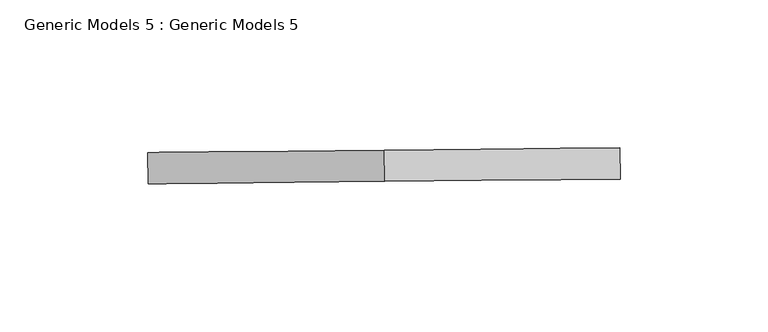
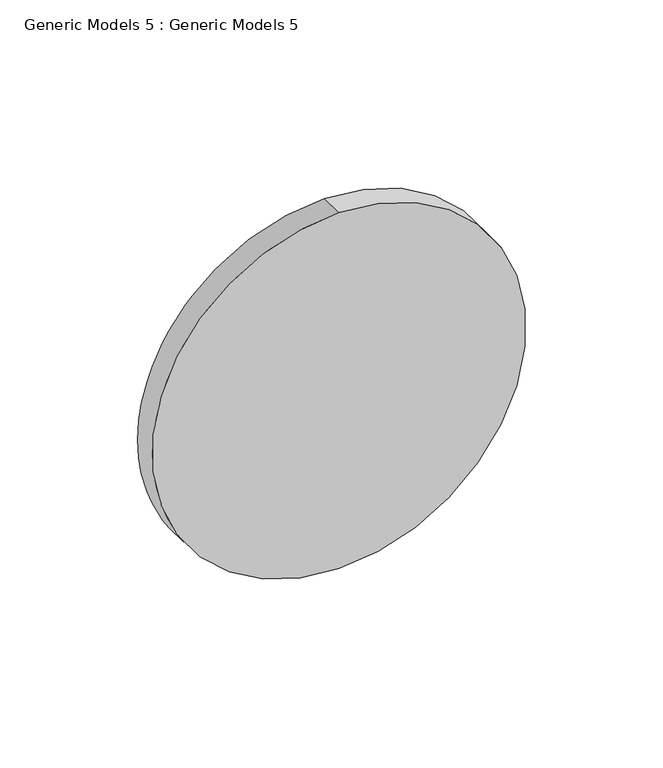
"""IFC4 building model written with IfcOpenShell, lengths in millimetres: proxy geometry, Generic Models 5 : Generic Models 5."""

from ifc_helpers import new_model, si_unit, point, frame, frame_2d, origin, place, context, project, spatial, circle_curve, trimmed, segment, composite_curve, outline, extrude, source, transform, mapped, element, save


def generic_models_5_generic_models_5_87e4cf71(model_context):
    return source(origin(), model_context, "Body", "SweptSolid", [
        extrude(outline(composite_curve([segment(trimmed(circle_curve(frame_2d((0.0, -80.0)), 80.0), [point((0.0, -160.0))], [point((0.0, 0.0))], False, "CARTESIAN"), True, "CONTINUOUS"), segment(trimmed(circle_curve(frame_2d((0.0, -80.0)), 80.0), [point((0.0, 0.0))], [point((0.0, -160.0))], False, "CARTESIAN"), True, "CONTINUOUS")], self_intersect=False)), frame((-51516.992021, 52156.7294118, 109100.427024), z_axis=(-0.00987577040885931, 0.9999512333903247, 0.0), x_axis=(0.9999512333903247, 0.00987577040885931, 0.0)), (0.0, 0.0, 1.0), 10.5272358),
    ])


if __name__ == "__main__":
    model = new_model("IFC4")
    model_context = context("Model", 3, world=origin())
    ifc_project = project(units=[si_unit("LENGTHUNIT", "METRE", prefix="MILLI")], contexts=[model_context])
    site = spatial("IfcSite", under=ifc_project)
    building = spatial("IfcBuilding", under=site)
    placement = place(None, origin())
    generic_models_5_generic_models_5_shape = generic_models_5_generic_models_5_87e4cf71(model_context)
    element("IfcBuildingElementProxy", 1, Name="Generic Models 5 : Generic Models 5", ObjectType="Generic Models 5 : Generic Models 5", at=placement, inside=building, context=model_context, shape_type="MappedRepresentation", body=[
        mapped(generic_models_5_generic_models_5_shape, transform((0.0, 0.0, 0.0), x_axis=(1.0, 0.0, 0.0), y_axis=(0.0, 1.0, 0.0), z_axis=(0.0, 0.0, 1.0))),
    ])
    save(model, "model.ifc")
